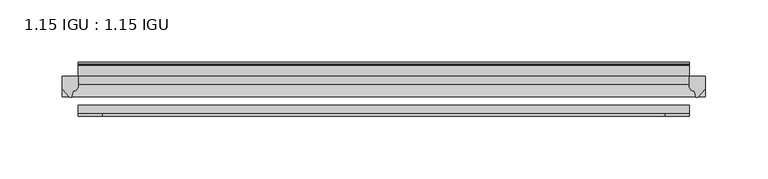
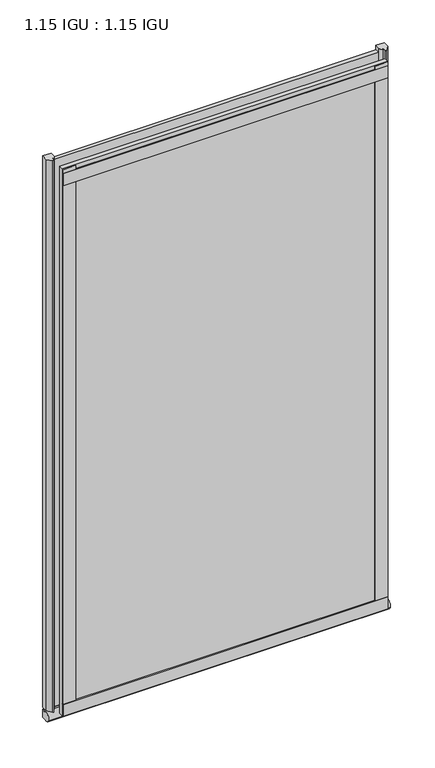
"""IFC4 building model written with IfcOpenShell, lengths in millimetres: plate geometry, 1.15 IGU : 1.15 IGU."""

import ifcopenshell
import ifcopenshell.guid

model = None  # the IFC model being written
_history = None  # IfcOwnerHistory: only IFC2X3 demands one
_inside = {}  # id of a spatial element -> (the spatial element, [elements in it])
_under = {}  # id of a project, library or spatial element -> (it, [spatial elements below it])
_declared = {}  # id of a project -> (the project, [libraries it declares])
_typed = {}  # id of a type object -> (the type object, [elements of that type])
_made_of = {}  # id of a material, layer set ... -> (it, [elements and type objects made of it])


def new_model(schema):
    """Start an empty IFC model of exactly this schema.

    Asked for "IFC4X3", IfcOpenShell would pick the latest addendum, in which some entities
    have other attributes; the version numbers below select the first issue.
    IFC2X3 requires an IfcOwnerHistory on every rooted entity: one is made here for all.
    """
    global model, _history
    if schema == "IFC4X3":
        model = ifcopenshell.file(schema_version=(4, 3, 0, 0))
    else:
        model = ifcopenshell.file(schema=schema)
    _inside.clear()
    _under.clear()
    _declared.clear()
    _typed.clear()
    _made_of.clear()
    _history = None
    if model.schema == "IFC2X3":
        org = make("IfcOrganization", Name="unknown")
        user = make(
            "IfcPersonAndOrganization",
            ThePerson=make("IfcPerson", FamilyName="unknown"),
            TheOrganization=org,
        )
        app = make(
            "IfcApplication",
            ApplicationDeveloper=org,
            Version="unknown",
            ApplicationFullName="unknown",
            ApplicationIdentifier="unknown",
        )
        _history = make(
            "IfcOwnerHistory",
            OwningUser=user,
            OwningApplication=app,
            ChangeAction="ADDED",
            CreationDate=0,
        )
    return model


def make(cls, **values):
    """One entity of the class cls with the attributes given. An attribute that is None is left unset."""
    return model.create_entity(
        cls, **{name: value for name, value in values.items() if value is not None}
    )


def rooted(cls, **values):
    """An entity with a GlobalId (a new one), such as an element, a storey or a relation."""
    return make(cls, GlobalId=ifcopenshell.guid.new(), OwnerHistory=_history, **values)


def si_unit(unit_type, name, prefix=None):
    """IfcSIUnit, for example si_unit("LENGTHUNIT", "METRE", prefix="MILLI")."""
    return make("IfcSIUnit", UnitType=unit_type, Prefix=prefix, Name=name)


def assignment(units):
    """IfcUnitAssignment: the units of a project."""
    return None if units is None else make("IfcUnitAssignment", Units=units)


def point(xyz):
    """IfcCartesianPoint."""
    return None if xyz is None else make("IfcCartesianPoint", Coordinates=xyz)


def direction(xyz):
    """IfcDirection."""
    return None if xyz is None else make("IfcDirection", DirectionRatios=xyz)


def frame(location, z_axis=None, x_axis=None):
    """IfcAxis2Placement3D, a coordinate frame: its origin and axes. An axis left out is left unset."""
    return make(
        "IfcAxis2Placement3D",
        Location=point(location),
        Axis=direction(z_axis),
        RefDirection=direction(x_axis),
    )


def frame_2d(location, x_axis=None):
    """IfcAxis2Placement2D, a coordinate frame in the plane: its origin and x axis."""
    return make(
        "IfcAxis2Placement2D", Location=point(location), RefDirection=direction(x_axis)
    )


def origin():
    """The frame at (0, 0, 0) with its axes left unset."""
    return frame((0.0, 0.0, 0.0))


def place(relative_to, where):
    """IfcLocalPlacement: puts the frame where relative to a parent placement (None: the world)."""
    return make(
        "IfcLocalPlacement", PlacementRelTo=relative_to, RelativePlacement=where
    )


def context(
    kind, dimensions, precision=None, world=None, true_north=None, identifier=None
):
    """IfcGeometricRepresentationContext, for example the 3D "Model" context."""
    return make(
        "IfcGeometricRepresentationContext",
        ContextIdentifier=identifier,
        ContextType=kind,
        CoordinateSpaceDimension=dimensions,
        Precision=precision,
        WorldCoordinateSystem=world,
        TrueNorth=true_north,
    )


def project(units=None, contexts=None):
    """IfcProject with its units and contexts."""
    return rooted(
        "IfcProject",
        Name="project",
        RepresentationContexts=contexts,
        UnitsInContext=assignment(units),
    )


def spatial(cls, under=None, at=None, **own):
    """A site, building, storey or space (cls), placed at a placement, below another one or the project."""
    s = rooted(cls, ObjectPlacement=at, **own)
    if under is not None:
        _under.setdefault(under.id(), (under, []))[1].append(s)
    return s


def polyline(points):
    """IfcPolyline through the points."""
    return make("IfcPolyline", Points=[point(p) for p in points])


def circle_curve(where, radius):
    """IfcCircle in the frame where."""
    return make("IfcCircle", Position=where, Radius=radius)


def ellipse_curve(where, semi_axis1, semi_axis2):
    """IfcEllipse in the frame where."""
    return make(
        "IfcEllipse", Position=where, SemiAxis1=semi_axis1, SemiAxis2=semi_axis2
    )


def trimmed(basis, trim1, trim2, sense, master):
    """IfcTrimmedCurve: the piece of a basis curve between two trims."""
    return make(
        "IfcTrimmedCurve",
        BasisCurve=basis,
        Trim1=trim1,
        Trim2=trim2,
        SenseAgreement=sense,
        MasterRepresentation=master,
    )


def segment(curve, same_sense, transition):
    """IfcCompositeCurveSegment."""
    return make(
        "IfcCompositeCurveSegment",
        Transition=transition,
        SameSense=same_sense,
        ParentCurve=curve,
    )


def composite_curve(segments, self_intersect=None):
    """IfcCompositeCurve: segments joined end to end."""
    return make("IfcCompositeCurve", Segments=segments, SelfIntersect=self_intersect)


def outline(outer, holes=None, kind="AREA"):
    """IfcArbitraryClosedProfileDef: a profile drawn as a closed curve; with holes, ...WithVoids."""
    if holes is None:
        return make("IfcArbitraryClosedProfileDef", ProfileType=kind, OuterCurve=outer)
    return make(
        "IfcArbitraryProfileDefWithVoids",
        ProfileType=kind,
        OuterCurve=outer,
        InnerCurves=holes,
    )


def extrude(swept, where, along, depth):
    """IfcExtrudedAreaSolid: the profile swept, set in the frame where, extruded along a direction by depth."""
    return make(
        "IfcExtrudedAreaSolid",
        SweptArea=swept,
        Position=where,
        ExtrudedDirection=direction(along),
        Depth=depth,
    )


def shape(context_of_items, identifier, shape_type, items):
    """IfcShapeRepresentation: the items that make up one representation, for example the "Body"."""
    return make(
        "IfcShapeRepresentation",
        ContextOfItems=context_of_items,
        RepresentationIdentifier=identifier,
        RepresentationType=shape_type,
        Items=items,
    )


def source(mapping_origin, context_of_items, identifier, shape_type, items):
    """IfcRepresentationMap: a shape defined once, which mapped items show again and again."""
    return make(
        "IfcRepresentationMap",
        MappingOrigin=mapping_origin,
        MappedRepresentation=shape(context_of_items, identifier, shape_type, items),
    )


def transform(
    local_origin,
    x_axis=None,
    y_axis=None,
    z_axis=None,
    scale=None,
    scale2=None,
    scale3=None,
    uniform=True,
):
    """IfcCartesianTransformationOperator3D, or its non-uniform kind. x_axis, y_axis, z_axis: its Axis1, 2, 3."""
    if uniform:
        return make(
            "IfcCartesianTransformationOperator3D",
            Axis1=direction(x_axis),
            Axis2=direction(y_axis),
            LocalOrigin=point(local_origin),
            Scale=scale,
            Axis3=direction(z_axis),
        )
    return make(
        "IfcCartesianTransformationOperator3DnonUniform",
        Axis1=direction(x_axis),
        Axis2=direction(y_axis),
        LocalOrigin=point(local_origin),
        Scale=scale,
        Axis3=direction(z_axis),
        Scale2=scale2,
        Scale3=scale3,
    )


def mapped(mapping_source, mapping_target):
    """IfcMappedItem: shows the shape of a source again, moved by a transform."""
    return make(
        "IfcMappedItem", MappingSource=mapping_source, MappingTarget=mapping_target
    )


def made_of(thing, what):
    """Note that an element or type object is made of a material, layer set ...; save() writes the relation."""
    if what is not None:
        _made_of.setdefault(what.id(), (what, []))[1].append(thing)
    return thing


def element(
    cls,
    number,
    at=None,
    inside=None,
    cuts=None,
    type_object=None,
    material=None,
    context=None,
    identifier="Body",
    shape_type=None,
    held_by="IfcProductDefinitionShape",
    body=None,
    shapes=None,
    **own,
):
    """One element of the class cls, such as IfcWall. Its Tag is "e" and its number.

    at: its placement. inside: the storey or other place that contains it. cuts: it is an
    opening in that element (IfcRelVoidsElement). A single representation is given by context,
    identifier, shape_type and body (its items); several are given by shapes. held_by: the class
    of the entity that holds the representations. save() writes the other relations.
    """
    e = rooted(cls, Tag="e%d" % number, ObjectPlacement=at, **own)
    if body is not None:
        shapes = [shape(context, identifier, shape_type, body)]
    if shapes is not None:
        e.Representation = make(held_by, Representations=shapes)
    if inside is not None:
        _inside.setdefault(inside.id(), (inside, []))[1].append(e)
    if cuts is not None:
        rooted(
            "IfcRelVoidsElement", RelatingBuildingElement=cuts, RelatedOpeningElement=e
        )
    if type_object is not None:
        _typed.setdefault(type_object.id(), (type_object, []))[1].append(e)
    return made_of(e, material)


def aggregate(whole, parts):
    """IfcRelAggregates: a whole, such as a stair, and the parts it consists of."""
    return rooted("IfcRelAggregates", RelatingObject=whole, RelatedObjects=parts)


def save(model, path):
    """Write the relations noted so far, then the file.

    IfcRelAggregates (storeys below a building ...), IfcRelContainedInSpatialStructure (elements
    in a storey), IfcRelDefinesByType, IfcRelAssociatesMaterial and IfcRelDeclares: one each for
    every whole, place, type object, material and project.
    """
    for whole, parts in _under.values():
        aggregate(whole, parts)
    for where, things in _inside.values():
        rooted(
            "IfcRelContainedInSpatialStructure",
            RelatedElements=things,
            RelatingStructure=where,
        )
    for kind, things in _typed.values():
        rooted("IfcRelDefinesByType", RelatedObjects=things, RelatingType=kind)
    for what, things in _made_of.values():
        rooted("IfcRelAssociatesMaterial", RelatedObjects=things, RelatingMaterial=what)
    for by, libraries in _declared.values():
        rooted("IfcRelDeclares", RelatingContext=by, RelatedDefinitions=libraries)
    model.write(path)


def plane_surface(at):
    """IfcPlane: the flat surface through the origin of the frame at, square to its z axis."""
    return make("IfcPlane", Position=at)


def revolved_surface(curve, axis_point, axis_direction):
    """IfcSurfaceOfRevolution: the curve turned about the line through axis_point along axis_direction."""
    return make(
        "IfcSurfaceOfRevolution",
        SweptCurve=make("IfcArbitraryOpenProfileDef", ProfileType="CURVE", Curve=curve),
        AxisPosition=make("IfcAxis1Placement", Location=point(axis_point), Axis=direction(axis_direction)),
    )


def extruded_surface(curve, direction_of_extrusion, depth):
    """IfcSurfaceOfLinearExtrusion: the curve pushed along a direction by depth."""
    return make(
        "IfcSurfaceOfLinearExtrusion",
        SweptCurve=make("IfcArbitraryOpenProfileDef", ProfileType="CURVE", Curve=curve),
        ExtrudedDirection=direction(direction_of_extrusion),
        Depth=depth,
    )


def advanced_brep(points, edges, surfaces, faces):
    """IfcAdvancedBrep: a solid bounded by faces that lie on surfaces and meet in shared edges.

    An edge is (start, end): straight between two places in points (the first is 0);
    or (start, end, curve); or (start, end, curve, False) where it runs against its curve.
    A face is (place in surfaces, loops), or (place, loops, False) where it looks against
    its surface's normal. A loop lists edges by number (the first is 1), with a minus sign
    where the edge is run from its end to its start. The first loop is the outer one.
    """
    corners = [point(p) for p in points]
    vertices = [make("IfcVertexPoint", VertexGeometry=c) for c in corners]
    made = []
    for start, end, *more in edges:
        made.append(
            make(
                "IfcEdgeCurve",
                EdgeStart=vertices[start],
                EdgeEnd=vertices[end],
                EdgeGeometry=more[0] if more else make("IfcPolyline", Points=[corners[start], corners[end]]),
                SameSense=more[1] if len(more) > 1 else True,
            )
        )
    hull = []
    for where, loops, *sense in faces:
        bounds = []
        for j, loop in enumerate(loops):
            ring = [make("IfcOrientedEdge", EdgeElement=made[abs(k) - 1], Orientation=k > 0) for k in loop]
            bounds.append(
                make(
                    "IfcFaceOuterBound" if j == 0 else "IfcFaceBound",
                    Bound=make("IfcEdgeLoop", EdgeList=ring),
                    Orientation=True,
                )
            )
        hull.append(make("IfcAdvancedFace", Bounds=bounds, FaceSurface=surfaces[where], SameSense=sense[0] if sense else True))
    return make("IfcAdvancedBrep", Outer=make("IfcClosedShell", CfsFaces=hull))


def plate_1_15_igu_1_15_igu_33f16b2c(model_context):
    return source(origin(), model_context, "Body", "SolidModel", [
        extrude(outline(polyline([(244.6551797, 0.0), (244.6551797, -6.2992), (-244.6551797, -6.2992), (-244.6551797, 0.0), (244.6551797, 0.0)])), frame((0.0, 0.0, -19.05), z_axis=(0.0, 0.0, 1.0), x_axis=(1.0, 0.0, 0.0)), (0.0, 0.0, 1.0), 869.9368072),
        extrude(outline(polyline([(-244.6551797, -23.1648), (244.6551797, -23.1648), (244.6551797, -29.464), (-244.6551797, -29.464), (-244.6551797, -23.1648)])), frame((0.0, 0.0, -19.05), z_axis=(0.0, 0.0, 1.0), x_axis=(1.0, 0.0, 0.0)), (0.0, 0.0, 1.0), 869.9368072),
        advanced_brep(
        [(257.3551797, -2.9334208, -29.3692082), (257.3551797, -15.7658436, -30.8313288), (257.3551797, -6.7904952, -34.925), (257.3551797, 0.0, -34.925), (257.3551797, 0.0, -22.225), (257.3551797, -2.5187477, -22.225), (-257.3551797, -2.9073519, -29.3720514), (-257.3551797, -2.5187477, -22.225), (-257.3551797, 0.0, -22.225), (-257.3551797, 0.0, -34.925), (-257.3551797, -6.7904952, -34.925), (-257.3551797, -15.7658436, -30.8313288)],
        [
            (0, 1, ellipse_curve(frame((257.3551797, -9.5065066, -28.575), z_axis=(1.0, 0.0, 0.0), x_axis=(0.0, 0.0, -1.0)), 6.9638038, 6.6162554)),
            (1, 2, ellipse_curve(frame((257.3551797, -9.5065066, -28.575), z_axis=(1.0, 0.0, 0.0), x_axis=(0.0, 0.0, -1.0)), 6.9638038, 6.6162554)),
            (2, 3),
            (3, 4, circle_curve(frame((257.3551797, 24.1576838, -28.575), z_axis=(-1.0, 0.0, 0.0), x_axis=(0.0, 0.0, 1.0)), 24.9783143)),
            (4, 5),
            (5, 0, circle_curve(frame((257.3551797, -68.4358767, -22.225), z_axis=(-1.0, 0.0, 0.0), x_axis=(0.0, 0.0, 1.0)), 65.917129)),
            (6, 7, circle_curve(frame((-257.3551797, -68.4358767, -22.225), z_axis=(1.0, 0.0, 0.0), x_axis=(0.0, 0.0, 1.0)), 65.917129)),
            (7, 8),
            (8, 9, circle_curve(frame((-257.3551797, 24.1576838, -28.575), z_axis=(1.0, 0.0, 0.0), x_axis=(0.0, 0.0, 1.0)), 24.9783143)),
            (9, 10),
            (10, 11, ellipse_curve(frame((-257.3551797, -9.5065066, -28.575), z_axis=(-1.0, 0.0, 0.0), x_axis=(0.0, 0.0, -1.0)), 6.9638038, 6.6162554)),
            (11, 6, ellipse_curve(frame((-257.3551797, -9.5065066, -28.575), z_axis=(-1.0, 0.0, 0.0), x_axis=(0.0, 0.0, -1.0)), 6.9638038, 6.6162554)),
            (0, 6),
            (11, 1),
            (10, 2),
            (9, 3),
            (8, 4),
            (7, 5),
        ],
        [
            plane_surface(frame((257.3551797, 0.0, -28.575), z_axis=(1.0, 0.0, 0.0), x_axis=(0.0, 1.0, 0.0))),
            plane_surface(frame((-257.3551797, 0.0, -28.575), z_axis=(-1.0, 0.0, 0.0), x_axis=(0.0, 1.0, 0.0))),
            extruded_surface(trimmed(ellipse_curve(frame((-257.3551797, -9.5065066, -28.575), z_axis=(1.0, 0.0, 0.0), x_axis=(0.0, 0.0, -1.0)), 6.9638038, 6.6162554), [point((-257.3551797, -2.9334208, -29.3692082))], [point((-257.3551797, -15.7658436, -30.8313288))], True, "CARTESIAN"), (514.7103594, 0.0, 0.0), 514.7103594),
            extruded_surface(trimmed(ellipse_curve(frame((-257.3551797, -9.5065066, -28.575), z_axis=(1.0, 0.0, 0.0), x_axis=(0.0, 0.0, -1.0)), 6.9638038, 6.6162554), [point((-257.3551797, -15.7658436, -30.8313288))], [point((-257.3551797, -6.7904952, -34.925))], True, "CARTESIAN"), (514.7103594, 0.0, 0.0), 514.7103594),
            plane_surface(frame((257.3551797, -6.7904952, -34.925), z_axis=(0.0, 0.0, -1.0), x_axis=(-1.0, 0.0, 0.0))),
            revolved_surface(polyline([(-257.3551797, 24.1576838, -3.5966856999999983), (257.3551797, 24.1576838, -3.5966856999999983)]), (257.3551797, 24.1576838, -28.575), (-1.0, 0.0, 0.0)),
            plane_surface(frame((257.3551797, 0.0, -22.225), z_axis=(0.0, 0.0, 1.0), x_axis=(-1.0, 0.0, 0.0))),
            revolved_surface(polyline([(-257.3551797, -68.4358767, 43.692129), (257.3551797, -68.4358767, 43.692129)]), (257.3551797, -68.4358767, -22.225), (-1.0, 0.0, 0.0)),
        ],
        [
            (0, [[1, 2, 3, 4, 5, 6]]),
            (1, [[7, 8, 9, 10, 11, 12]]),
            (2, [[-1, 13, -12, 14]]),
            (3, [[-2, -14, -11, 15]]),
            (4, [[-3, -15, -10, 16]]),
            (5, [[-4, -16, -9, 17]]),
            (6, [[-5, -17, -8, 18]]),
            (7, [[-6, -18, -7, -13]]),
        ],
    ),
        extrude(outline(composite_curve([segment(polyline([(257.3551797, 0.0), (257.3551797, -9.7395025), (251.7889488, -16.3730781)]), True, "CONTINUOUS"), segment(trimmed(circle_curve(frame_2d((250.8352738, -15.7728374)), 1.1268473), [point((251.7889488, -16.3730781))], [point((249.7343209, -16.0130197))], False, "CARTESIAN"), True, "CONTINUOUS"), segment(polyline([(249.7343209, -16.0130197), (248.7541294, -11.7377885)]), True, "CONTINUOUS"), segment(trimmed(circle_curve(frame_2d((248.6266776, -7.7683362)), 3.9714979), [point((248.7541294, -11.7377885))], [point((244.6553583, -7.8060014))], False, "CARTESIAN"), True, "CONTINUOUS"), segment(polyline([(244.6553583, -7.8060014), (244.6553583, 0.0), (257.3551797, 0.0)]), True, "CONTINUOUS")], self_intersect=False)), frame((0.0, 0.0, -19.05), z_axis=(0.0, 0.0, 1.0), x_axis=(1.0, 0.0, 0.0)), (0.0, 0.0, 1.0), 877.0742072),
        extrude(outline(composite_curve([segment(polyline([(-244.6551797, 8.8e-06), (-244.6551797, -7.7683362)]), True, "CONTINUOUS"), segment(trimmed(circle_curve(frame_2d((-248.6266776, -7.7683362)), 3.9714979), [point((-244.6551797, -7.7683362))], [point((-248.7541294, -11.7377885))], False, "CARTESIAN"), True, "CONTINUOUS"), segment(polyline([(-248.7541294, -11.7377885), (-249.734164, -16.012436)]), True, "CONTINUOUS"), segment(trimmed(circle_curve(frame_2d((-250.835373, -15.7723555)), 1.1270758), [point((-249.734164, -16.012436))], [point((-251.7892124, -16.372764))], False, "CARTESIAN"), True, "CONTINUOUS"), segment(polyline([(-251.7892124, -16.372764), (-257.3551797, -9.7395025), (-257.3551797, 8.8e-06), (-244.6551797, 8.8e-06)]), True, "CONTINUOUS")], self_intersect=False)), frame((0.0, 0.0, -19.05), z_axis=(0.0, 0.0, 1.0), x_axis=(1.0, 0.0, 0.0)), (0.0, 0.0, 1.0), 877.0742072),
        extrude(outline(polyline([(-244.6551797, -31.75), (-244.6551797, -29.464), (244.6551797, -29.464), (244.6551797, -31.75), (-244.6551797, -31.75)])), frame((0.0, 0.0, -19.05), z_axis=(0.0, 0.0, 1.0), x_axis=(1.0, 0.0, 0.0)), (0.0, 0.0, 1.0), 19.05),
        extrude(outline(composite_curve([segment(polyline([(8.509, 840.7300284), (8.509, 838.6980284), (6.35, 838.6980284), (6.35, 833.3640284), (8.9492698, 833.3640284)]), True, "CONTINUOUS"), segment(trimmed(circle_curve(frame_2d((8.208689, 831.8368072)), 1.697311), [point((8.9492698, 833.3640284))], [point((8.962411, 830.3160284))], False, "CARTESIAN"), True, "CONTINUOUS"), segment(polyline([(8.962411, 830.3160284), (6.35, 830.3160284), (6.35, 825.4868072), (11.1252, 825.4868072), (11.1252, 824.5978072)]), True, "CONTINUOUS"), segment(trimmed(circle_curve(frame_2d((10.1092, 824.5978072)), 1.016), [point((11.1252, 824.5978072))], [point((10.1092, 823.5818072))], False, "CARTESIAN"), True, "CONTINUOUS"), segment(trimmed(circle_curve(frame_2d((10.1092, 804.1707318)), 19.4110754), [point((10.1092, 823.5818072))], [point((0.0, 820.7416075))], True, "CARTESIAN"), True, "CONTINUOUS"), segment(polyline([(0.0, 820.7416075), (0.0, 840.7300284), (8.509, 840.7300284)]), True, "CONTINUOUS")], self_intersect=False)), frame((-244.6551797, 0.0, 0.0), z_axis=(1.0, 0.0, 0.0), x_axis=(0.0, 1.0, 0.0)), (0.0, 0.0, 1.0), 489.3103593),
        extrude(outline(polyline([(-244.6551797, -31.75), (-244.6551797, -29.464), (244.6551797, -29.464), (244.6551797, -31.75), (-244.6551797, -31.75)])), frame((0.0, 0.0, 825.4868072), z_axis=(0.0, 0.0, 1.0), x_axis=(1.0, 0.0, 0.0)), (0.0, 0.0, 1.0), 19.05),
        extrude(outline(polyline([(225.6051797, -29.464), (244.6551797, -29.464), (244.6551797, -31.75), (225.6051797, -31.75), (225.6051797, -29.464)])), frame((0.0, 0.0, -19.05), z_axis=(0.0, 0.0, 1.0), x_axis=(1.0, 0.0, 0.0)), (0.0, 0.0, 1.0), 869.9368072),
        extrude(outline(polyline([(-244.6551797, -31.75), (-244.6551797, -29.464), (-225.6051797, -29.464), (-225.6051797, -31.75), (-244.6551797, -31.75)])), frame((0.0, 0.0, -19.05), z_axis=(0.0, 0.0, 1.0), x_axis=(1.0, 0.0, 0.0)), (0.0, 0.0, 1.0), 869.9368072),
    ])


if __name__ == "__main__":
    model = new_model("IFC4")
    model_context = context("Model", 3, world=origin())
    ifc_project = project(units=[si_unit("LENGTHUNIT", "METRE", prefix="MILLI")], contexts=[model_context])
    site = spatial("IfcSite", under=ifc_project)
    building = spatial("IfcBuilding", under=site)
    placement = place(None, origin())
    plate_1_15_igu_1_15_igu_shape = plate_1_15_igu_1_15_igu_33f16b2c(model_context)
    element("IfcPlate", 1, ObjectType="1.15 IGU : 1.15 IGU", at=placement, inside=building, context=model_context, shape_type="MappedRepresentation", body=[
        mapped(plate_1_15_igu_1_15_igu_shape, transform((0.0, 0.0, 0.0), x_axis=(1.0, 0.0, 0.0), y_axis=(0.0, 1.0, 0.0), z_axis=(0.0, 0.0, 1.0))),
    ])
    save(model, "model.ifc")
